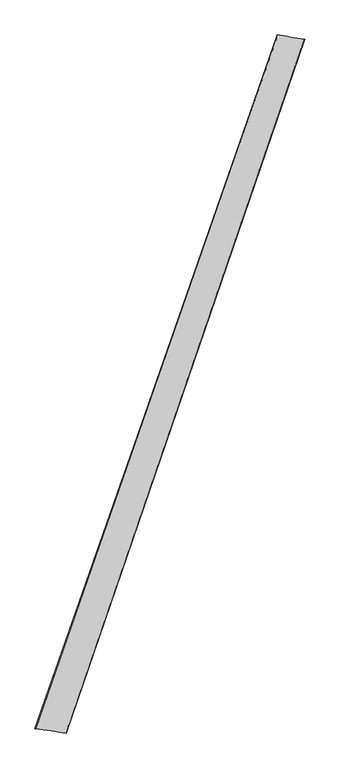
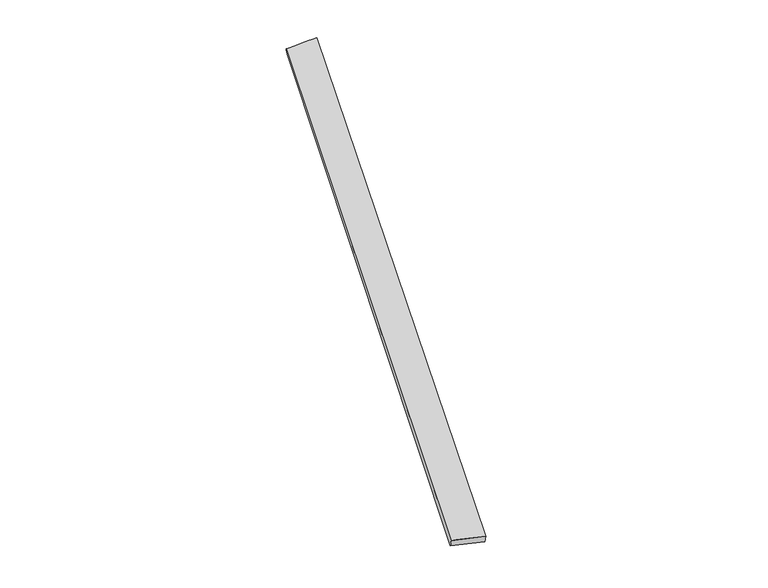
"""IFC4 building model written with IfcOpenShell, lengths in millimetres: proxy geometry."""

from ifc_helpers import new_model, si_unit, origin, place, context, project, spatial, source, transform, mapped, element, save
from ifc_brep_helpers import spline_surface, advanced_brep


def generic_models_3c926ce5(model_context):
    return source(origin(), model_context, "Body", "AdvancedBrep", [
        advanced_brep(
        [(-680.423935, -1723.7406352, 11.0371252), (-676.2208337, -1725.0324384, 40.7131287), (664.6512047, 2128.9540304, 16.7880519), (670.1399503, 2126.8480777, -12.6302865), (-505.844425, -1748.8481946, 18.7570334), (815.3804726, 2105.6328659, 42.3491545), (-509.0584408, -1747.5566376, -11.0423288), (819.3424256, 2104.4491951, 12.6354901)],
        [
            (0, 1),
            (1, 2),
            (2, 3),
            (3, 0),
            (1, 4),
            (4, 5),
            (5, 2),
            (4, 6),
            (6, 7),
            (7, 5),
            (6, 0),
            (3, 7),
        ],
        [
            spline_surface(1, 1, [[(-680.423935, -1723.7406352, 11.0371252), (670.1399503, 2126.8480777, -12.6302865)], [(-676.2208337, -1725.0324384, 40.7131287), (664.6512047, 2128.9540304, 16.7880519)]], [2, 2], [2, 2], [0.0, 1.0], [0.0, 1.0]),
            spline_surface(1, 1, [[(-676.2208337, -1725.0324384, 40.7131287), (664.6512047, 2128.9540304, 16.7880519)], [(-505.844425, -1748.8481946, 18.7570334), (815.3804726, 2105.6328659, 42.3491545)]], [2, 2], [2, 2], [0.0, 1.0], [0.0, 1.0]),
            spline_surface(1, 1, [[(-505.844425, -1748.8481946, 18.7570334), (815.3804726, 2105.6328659, 42.3491545)], [(-509.0584408, -1747.5566376, -11.0423288), (819.3424256, 2104.4491951, 12.6354901)]], [2, 2], [2, 2], [0.0, 1.0], [0.0, 1.0]),
            spline_surface(1, 1, [[(-509.0584408, -1747.5566376, -11.0423288), (819.3424256, 2104.4491951, 12.6354901)], [(-680.423935, -1723.7406352, 11.0371252), (670.1399503, 2126.8480777, -12.6302865)]], [2, 2], [2, 2], [0.0, 1.0], [0.0, 1.0]),
            spline_surface(1, 1, [[(664.6512047, 2128.9540304, 16.7880519), (670.1399503, 2126.8480777, -12.6302865)], [(815.3804726, 2105.6328659, 42.3491545), (819.3424256, 2104.4491951, 12.6354901)]], [2, 2], [2, 2], [0.0, 1.0], [0.0, 1.0]),
            spline_surface(1, 1, [[(-509.0584408, -1747.5566376, -11.0423288), (-680.423935, -1723.7406352, 11.0371252)], [(-505.844425, -1748.8481946, 18.7570334), (-676.2208337, -1725.0324384, 40.7131287)]], [2, 2], [2, 2], [0.0, 1.0], [0.0, 1.0]),
        ],
        [
            (0, [[1, 2, 3, 4]]),
            (1, [[5, 6, 7, -2]]),
            (2, [[8, 9, 10, -6]]),
            (3, [[11, -4, 12, -9]]),
            (4, [[-3, -7, -10, -12]]),
            (5, [[-11, -8, -5, -1]]),
        ],
    ),
    ])


if __name__ == "__main__":
    model = new_model("IFC4")
    model_context = context("Model", 3, world=origin())
    ifc_project = project(units=[si_unit("LENGTHUNIT", "METRE", prefix="MILLI")], contexts=[model_context])
    site = spatial("IfcSite", under=ifc_project)
    building = spatial("IfcBuilding", under=site)
    placement = place(None, origin())
    generic_models_shape = generic_models_3c926ce5(model_context)
    element("IfcBuildingElementProxy", 1, Name="Generic Models", at=placement, inside=building, context=model_context, shape_type="MappedRepresentation", body=[
        mapped(generic_models_shape, transform((0.0, 0.0, 0.0), x_axis=(1.0, 0.0, 0.0), y_axis=(0.0, 1.0, 0.0), z_axis=(0.0, 0.0, 1.0))),
    ])
    save(model, "model.ifc")
